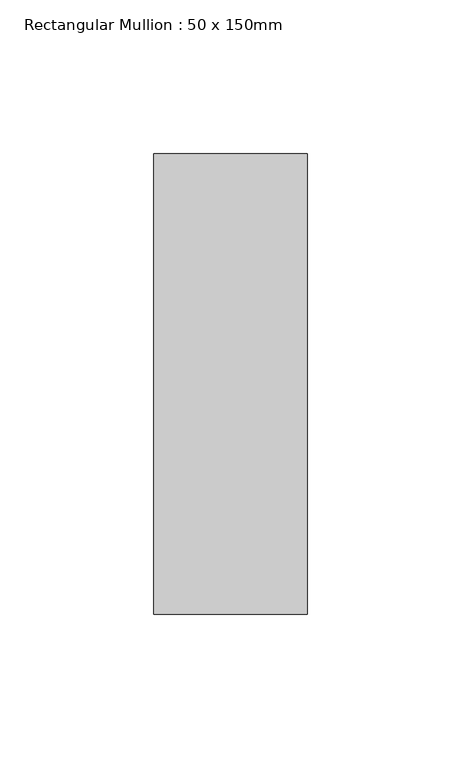
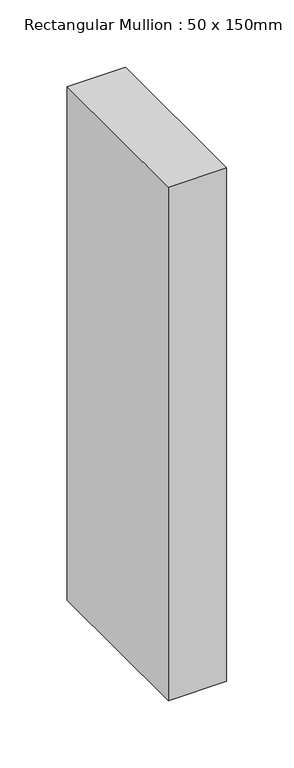
"""IFC4 building model written with IfcOpenShell, lengths in millimetres: member geometry, Rectangular Mullion : 50 x 150mm."""

from ifc_helpers import new_model, si_unit, frame, origin, place, context, project, spatial, polyline, outline, extrude, source, transform, mapped, element, save


def rectangular_mullion_50_x_150mm_ee336f40(model_context):
    return source(origin(), model_context, "Body", "SweptSolid", [
        extrude(outline(polyline([(25.0, 75.0), (25.0, -75.0), (-25.0, -75.0), (-25.0, 75.0), (25.0, 75.0)])), frame((0.0, 0.0, -464.6845683), z_axis=(0.0, 0.0, 1.0), x_axis=(1.0, 0.0, 0.0)), (0.0, 0.0, 1.0), 464.6845683),
    ])


if __name__ == "__main__":
    model = new_model("IFC4")
    model_context = context("Model", 3, world=origin())
    ifc_project = project(units=[si_unit("LENGTHUNIT", "METRE", prefix="MILLI")], contexts=[model_context])
    site = spatial("IfcSite", under=ifc_project)
    building = spatial("IfcBuilding", under=site)
    placement = place(None, origin())
    rectangular_mullion_50_x_150mm_shape = rectangular_mullion_50_x_150mm_ee336f40(model_context)
    element("IfcMember", 1, ObjectType="Rectangular Mullion : 50 x 150mm", at=placement, inside=building, context=model_context, shape_type="MappedRepresentation", body=[
        mapped(rectangular_mullion_50_x_150mm_shape, transform((0.0, 0.0, 0.0), x_axis=(1.0, 0.0, 0.0), y_axis=(0.0, 1.0, 0.0), z_axis=(0.0, 0.0, 1.0))),
    ])
    save(model, "model.ifc")
